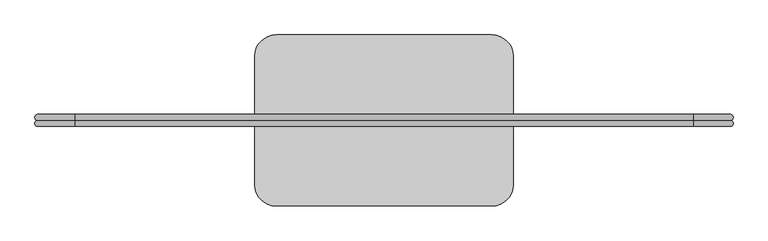
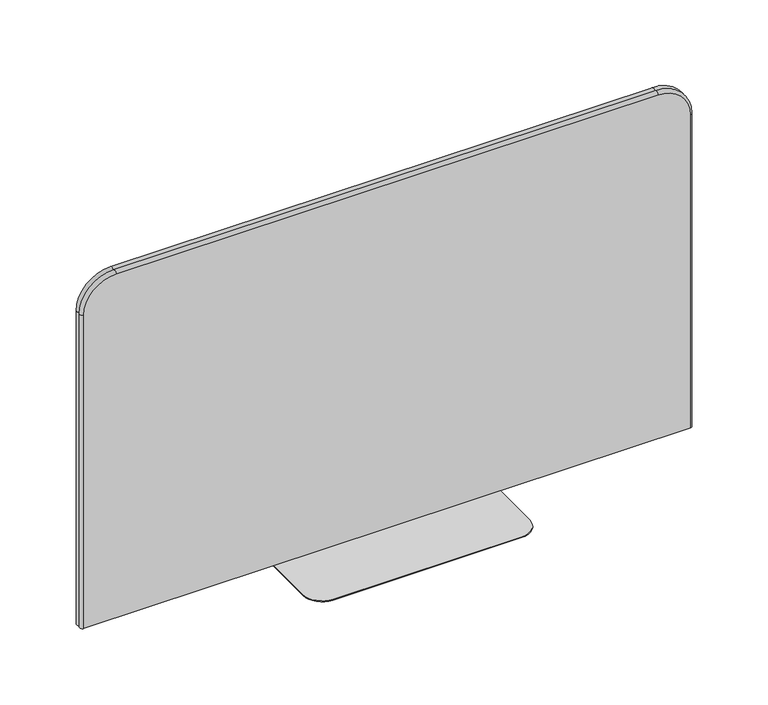
"""IFC4 building model written with IfcOpenShell, lengths in millimetres: furniture geometry."""

from ifc_helpers import new_model, si_unit, point, frame, frame_2d, origin, origin_with_axes, place, context, project, spatial, polyline, circle_curve, ellipse_curve, trimmed, segment, composite_curve, outline, extrude, source, transform, mapped, element, save
from ifc_brep_helpers import plane_surface, cylinder_surface, revolved_surface, advanced_brep


def furniture_c5f679dc(model_context):
    return source(origin(), model_context, "Body", "SolidModel", [
        advanced_brep(
        [(991.5042664, -54.7578317, 3.0), (991.5042664, -72.0728847, 3.0), (991.467119, -89.3879376, 3.0), (-991.467119, -89.3879376, 3.0), (-991.467119, -72.0728847, 3.0), (-991.5042664, -54.7578317, 3.0), (-991.5042664, -54.7578317, 1085.85), (-885.825, -54.7578317, 1191.5292664), (885.825, -54.7578317, 1191.5292664), (991.5042664, -54.7578317, 1085.85), (991.467119, -89.3879376, 1085.85), (885.825, -89.3879376, 1191.492119), (-885.825, -89.3879376, 1191.492119), (-991.467119, -89.3879376, 1085.85), (-991.467119, -72.0728847, 1085.85), (-885.825, -72.0728847, 1191.492119), (885.825, -72.0728847, 1191.492119), (991.467119, -72.0728847, 1085.85)],
        [
            (0, 1, circle_curve(frame((991.5042664, -63.4153582, 3.0), z_axis=(0.0, 0.0, -1.0), x_axis=(1.0, 0.0, 0.0)), 8.6575265)),
            (1, 2, circle_curve(frame((991.467119, -80.7304112, 3.0), z_axis=(0.0, 0.0, -1.0), x_axis=(1.0, 0.0, 0.0)), 8.6575265)),
            (2, 3),
            (3, 4, circle_curve(frame((-991.467119, -80.7304112, 3.0), z_axis=(0.0, 0.0, -1.0), x_axis=(-1.0, 0.0, 0.0)), 8.6575265)),
            (4, 5, circle_curve(frame((-991.5042664, -63.4153582, 3.0), z_axis=(0.0, 0.0, -1.0), x_axis=(-1.0, 0.0, 0.0)), 8.6575265)),
            (5, 0),
            (5, 6),
            (6, 7, circle_curve(frame((-885.825, -54.7578317, 1085.85), z_axis=(0.0, 1.0, 0.0), x_axis=(-1.0, 0.0, 0.0)), 105.6792664)),
            (7, 8),
            (8, 9, circle_curve(frame((885.825, -54.7578317, 1085.85), z_axis=(0.0, 1.0, 0.0), x_axis=(0.0, 0.0, 1.0)), 105.6792664)),
            (9, 0),
            (2, 10),
            (10, 11, circle_curve(frame((885.825, -89.3879376, 1085.85), z_axis=(0.0, -1.0, 0.0), x_axis=(0.0, 0.0, 1.0)), 105.642119)),
            (11, 12),
            (12, 13, circle_curve(frame((-885.825, -89.3879376, 1085.85), z_axis=(0.0, -1.0, 0.0), x_axis=(-1.0, 0.0, 0.0)), 105.642119)),
            (13, 3),
            (13, 14, circle_curve(frame((-991.467119, -80.7304112, 1085.85), z_axis=(0.0, 0.0, -1.0), x_axis=(-1.0, 0.0, 0.0)), 8.6575265)),
            (14, 4),
            (14, 6, circle_curve(frame((-991.5042664, -63.4153582, 1085.85), z_axis=(0.0, 0.0, -1.0), x_axis=(-1.0, 0.0, 0.0)), 8.6575265)),
            (12, 15, circle_curve(frame((-885.825, -80.7304112, 1191.492119), z_axis=(-1.0, 0.0, 0.0), x_axis=(0.0, 0.0, 1.0)), 8.6575265)),
            (15, 14, circle_curve(frame((-885.825, -72.0728847, 1085.85), z_axis=(0.0, -1.0, 0.0), x_axis=(-1.0, 0.0, 0.0)), 105.642119)),
            (15, 7, circle_curve(frame((-885.825, -63.4153582, 1191.5292664), z_axis=(-1.0, 0.0, 0.0), x_axis=(0.0, 0.0, 1.0)), 8.6575265)),
            (11, 16, circle_curve(frame((885.825, -80.7304112, 1191.492119), z_axis=(-1.0, 0.0, 0.0), x_axis=(0.0, 0.0, 1.0)), 8.6575265)),
            (16, 15),
            (16, 8, circle_curve(frame((885.825, -63.4153582, 1191.5292664), z_axis=(-1.0, 0.0, 0.0), x_axis=(0.0, 0.0, 1.0)), 8.6575265)),
            (10, 17, circle_curve(frame((991.467119, -80.7304112, 1085.85), z_axis=(0.0, 0.0, 1.0), x_axis=(1.0, 0.0, 0.0)), 8.6575265)),
            (17, 16, circle_curve(frame((885.825, -72.0728847, 1085.85), z_axis=(0.0, -1.0, 0.0), x_axis=(0.0, 0.0, 1.0)), 105.642119)),
            (17, 9, circle_curve(frame((991.5042664, -63.4153582, 1085.85), z_axis=(0.0, 0.0, 1.0), x_axis=(1.0, 0.0, 0.0)), 8.6575265)),
            (1, 17),
        ],
        [
            plane_surface(frame((-969.9625, -72.0728847, 3.0), z_axis=(0.0, 0.0, -1.0), x_axis=(0.0, -1.0, 0.0))),
            plane_surface(frame((-991.5042664, -54.7578317, 3.0), z_axis=(0.0, 1.0, 0.0), x_axis=(0.0, 0.0, 1.0))),
            plane_surface(frame((-969.9625, -89.3879376, 3.0), z_axis=(0.0, -1.0, 0.0), x_axis=(0.0, 0.0, 1.0))),
            cylinder_surface(frame((-991.467119, -80.7304112, 3.0), z_axis=(0.0, 0.0, -1.0), x_axis=(-1.0, 0.0, 0.0)), 8.6575265),
            cylinder_surface(frame((-991.5042664, -63.4153582, 3.0), z_axis=(0.0, 0.0, -1.0), x_axis=(-1.0, 0.0, 0.0)), 8.6575265),
            revolved_surface(trimmed(ellipse_curve(frame((-991.467119, -80.7304112, 1085.85), z_axis=(0.0, 0.0, -1.0), x_axis=(-1.0, 0.0, 0.0)), 8.6575265, 8.6575265), [point((-991.467119, -89.3879376, 1085.85))], [point((-991.467119, -72.0728847, 1085.85))], True, "CARTESIAN"), (-885.825, -72.0728847, 1085.85), (0.0, 1.0, 0.0)),
            revolved_surface(trimmed(ellipse_curve(frame((-991.5042664, -63.4153582, 1085.85), z_axis=(0.0, 0.0, -1.0), x_axis=(-1.0, 0.0, 0.0)), 8.6575265, 8.6575265), [point((-991.5042664, -72.0728847, 1085.85))], [point((-991.5042664, -54.7578317, 1085.85))], True, "CARTESIAN"), (-885.825, -72.0728847, 1085.85), (0.0, 1.0, 0.0)),
            cylinder_surface(frame((-885.825, -80.7304112, 1191.492119), z_axis=(-1.0, 0.0, 0.0), x_axis=(0.0, 0.0, 1.0)), 8.6575265),
            cylinder_surface(frame((-885.825, -63.4153582, 1191.5292664), z_axis=(-1.0, 0.0, 0.0), x_axis=(0.0, 0.0, 1.0)), 8.6575265),
            revolved_surface(trimmed(ellipse_curve(frame((885.825, -80.7304112, 1191.492119), z_axis=(-1.0, 0.0, 0.0), x_axis=(0.0, 0.0, 1.0)), 8.6575265, 8.6575265), [point((885.825, -89.3879376, 1191.492119))], [point((885.825, -72.0728847, 1191.492119))], True, "CARTESIAN"), (885.825, -72.0728847, 1085.85), (0.0, 1.0, 0.0)),
            revolved_surface(trimmed(ellipse_curve(frame((885.825, -63.4153582, 1191.5292664), z_axis=(-1.0, 0.0, 0.0), x_axis=(0.0, 0.0, 1.0)), 8.6575265, 8.6575265), [point((885.825, -72.0728847, 1191.5292664))], [point((885.825, -54.7578317, 1191.5292664))], True, "CARTESIAN"), (885.825, -72.0728847, 1085.85), (0.0, 1.0, 0.0)),
            cylinder_surface(frame((991.467119, -80.7304112, 1085.85), z_axis=(0.0, 0.0, 1.0), x_axis=(1.0, 0.0, 0.0)), 8.6575265),
            cylinder_surface(frame((991.5042664, -63.4153582, 1085.85), z_axis=(0.0, 0.0, 1.0), x_axis=(1.0, 0.0, 0.0)), 8.6575265),
        ],
        [
            (0, [[1, 2, 3, 4, 5, 6]]),
            (1, [[-6, 7, 8, 9, 10, 11]]),
            (2, [[-3, 12, 13, 14, 15, 16]]),
            (3, [[-4, -16, 17, 18]]),
            (4, [[-5, -18, 19, -7]]),
            (5, [[-15, 20, 21, -17]]),
            (6, [[-8, -19, -21, 22]]),
            (7, [[-14, 23, 24, -20]]),
            (8, [[-9, -22, -24, 25]]),
            (9, [[-13, 26, 27, -23]]),
            (10, [[-10, -25, -27, 28]]),
            (11, [[-12, -2, 29, -26]]),
            (12, [[-11, -28, -29, -1]]),
        ],
    ),
        extrude(outline(composite_curve([segment(trimmed(circle_curve(frame_2d((309.626, 112.5851153)), 60.325), [point((309.626, 172.9101153))], [point((369.951, 112.5851153))], False, "CARTESIAN"), True, "CONTINUOUS"), segment(polyline([(369.951, 112.5851153), (369.951, -256.7308847)]), True, "CONTINUOUS"), segment(trimmed(circle_curve(frame_2d((309.626, -256.7308847)), 60.325), [point((369.951, -256.7308847))], [point((309.626, -317.0558847))], False, "CARTESIAN"), True, "CONTINUOUS"), segment(polyline([(309.626, -317.0558847), (-309.626, -317.0558847)]), True, "CONTINUOUS"), segment(trimmed(circle_curve(frame_2d((-309.626, -256.7308847)), 60.325), [point((-309.626, -317.0558847))], [point((-369.951, -256.7308847))], False, "CARTESIAN"), True, "CONTINUOUS"), segment(polyline([(-369.951, -256.7308847), (-369.951, 112.5851153)]), True, "CONTINUOUS"), segment(trimmed(circle_curve(frame_2d((-309.626, 112.5851153)), 60.325), [point((-369.951, 112.5851153))], [point((-309.626, 172.9101153))], False, "CARTESIAN"), True, "CONTINUOUS"), segment(polyline([(-309.626, 172.9101153), (309.626, 172.9101153)]), True, "CONTINUOUS")], self_intersect=False)), origin_with_axes(), (0.0, 0.0, 1.0), 3.0),
    ])


if __name__ == "__main__":
    model = new_model("IFC4")
    model_context = context("Model", 3, world=origin())
    ifc_project = project(units=[si_unit("LENGTHUNIT", "METRE", prefix="MILLI")], contexts=[model_context])
    site = spatial("IfcSite", under=ifc_project)
    building = spatial("IfcBuilding", under=site)
    placement = place(None, origin())
    furniture_shape = furniture_c5f679dc(model_context)
    element("IfcFurniture", 1, at=placement, inside=building, context=model_context, shape_type="MappedRepresentation", body=[
        mapped(furniture_shape, transform((0.0, 0.0, 0.0), x_axis=(1.0, 0.0, 0.0), y_axis=(0.0, 1.0, 0.0), z_axis=(0.0, 0.0, 1.0))),
    ])
    save(model, "model.ifc")
